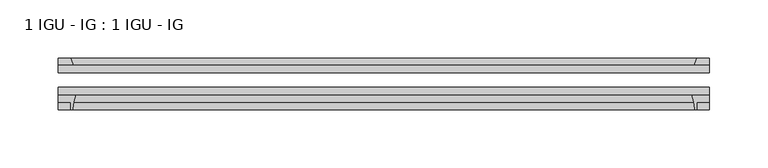
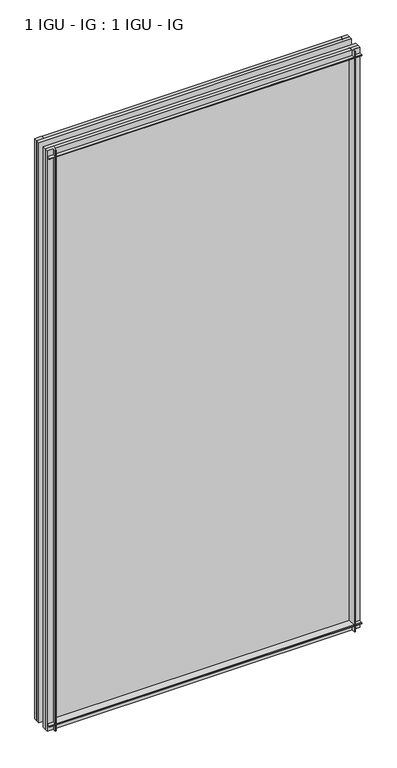
"""IFC4 building model written with IfcOpenShell, lengths in millimetres: plate geometry, 1 IGU - IG : 1 IGU - IG."""

from ifc_helpers import new_model, si_unit, point, frame, frame_2d, origin, place, context, project, spatial, polyline, circle_curve, trimmed, segment, composite_curve, outline, extrude, source, transform, mapped, element, save


def plate_1_igu_ig_1_igu_ig_c8210c39(model_context):
    return source(origin(), model_context, "Body", "SweptSolid", [
        extrude(outline(polyline([(280.9875, -31.75), (280.9875, -38.1), (-280.9875, -38.1), (-280.9875, -31.75), (280.9875, -31.75)])), frame((0.0, 0.0, -11.1125), z_axis=(0.0, 0.0, 1.0), x_axis=(1.0, 0.0, 0.0)), (0.0, 0.0, 1.0), 1101.7245636),
        extrude(outline(polyline([(-280.9875, -12.7), (280.9875, -12.7), (280.9875, -19.05), (-280.9875, -19.05), (-280.9875, -12.7)])), frame((0.0, 0.0, -11.1125), z_axis=(0.0, 0.0, 1.0), x_axis=(1.0, 0.0, 0.0)), (0.0, 0.0, 1.0), 1101.7245636),
        extrude(outline(composite_curve([segment(polyline([(-280.9875, -38.1), (-265.6938207, -38.1)]), True, "CONTINUOUS"), segment(trimmed(circle_curve(frame_2d((-222.4348044, -53.3794536)), 45.8781451), [point((-265.6938207, -38.1))], [point((-268.1950572, -50.0925922))], True, "CARTESIAN"), True, "CONTINUOUS"), segment(trimmed(circle_curve(frame_2d((-268.9550991, -50.038)), 0.762), [point((-268.1950572, -50.0925922))], [point((-268.9550991, -50.8))], False, "CARTESIAN"), True, "CONTINUOUS"), segment(polyline([(-268.9550991, -50.8), (-269.875, -50.8), (-269.875, -44.45), (-280.9875, -44.45), (-280.9875, -38.1)]), True, "CONTINUOUS")], self_intersect=False)), frame((0.0, 0.0, -11.1125), z_axis=(0.0, 0.0, 1.0), x_axis=(1.0, 0.0, 0.0)), (0.0, 0.0, 1.0), 1101.7245636),
        extrude(outline(polyline([(-267.7697229, -12.7), (-280.9875, -12.7), (-280.9875, -6.35), (-269.875, -6.35), (-267.7697229, -12.7)])), frame((0.0, 0.0, -11.1125), z_axis=(0.0, 0.0, 1.0), x_axis=(1.0, 0.0, 0.0)), (0.0, 0.0, 1.0), 1101.7245636),
        extrude(outline(polyline([(280.9875, -12.7), (267.7697229, -12.7), (269.875, -6.35), (280.9875, -6.35), (280.9875, -12.7)])), frame((0.0, 0.0, -11.1125), z_axis=(0.0, 0.0, 1.0), x_axis=(1.0, 0.0, 0.0)), (0.0, 0.0, 1.0), 1101.7245636),
        extrude(outline(composite_curve([segment(polyline([(265.6938207, -38.1), (280.9875, -38.1), (280.9875, -44.45), (269.875, -44.45), (269.875, -50.8), (268.9550991, -50.8)]), True, "CONTINUOUS"), segment(trimmed(circle_curve(frame_2d((268.9550991, -50.038)), 0.762), [point((268.9550991, -50.8))], [point((268.1950572, -50.0925922))], False, "CARTESIAN"), True, "CONTINUOUS"), segment(trimmed(circle_curve(frame_2d((222.4348044, -53.3794536)), 45.8781451), [point((268.1950572, -50.0925922))], [point((265.6938207, -38.1))], True, "CARTESIAN"), True, "CONTINUOUS")], self_intersect=False)), frame((0.0, 0.0, -11.1125), z_axis=(0.0, 0.0, 1.0), x_axis=(1.0, 0.0, 0.0)), (0.0, 0.0, 1.0), 1101.7245636),
        extrude(outline(polyline([(-12.7, -11.1125), (-12.7, 2.1052771), (-6.35, 0.0), (-6.35, -11.1125), (-12.7, -11.1125)])), frame((-280.9875, 0.0, 0.0), z_axis=(1.0, 0.0, 0.0), x_axis=(0.0, 1.0, 0.0)), (0.0, 0.0, 1.0), 561.975),
        extrude(outline(composite_curve([segment(polyline([(-38.1, 4.1811793), (-38.1, -11.1125), (-44.45, -11.1125), (-44.45, 0.0), (-50.8, 0.0), (-50.8, 0.9199009)]), True, "CONTINUOUS"), segment(trimmed(circle_curve(frame_2d((-50.038, 0.9199009)), 0.762), [point((-50.8, 0.9199009))], [point((-50.0925922, 1.6799428))], False, "CARTESIAN"), True, "CONTINUOUS"), segment(trimmed(circle_curve(frame_2d((-53.3794536, 47.4401956)), 45.8781451), [point((-50.0925922, 1.6799428))], [point((-38.1, 4.1811793))], True, "CARTESIAN"), True, "CONTINUOUS")], self_intersect=False)), frame((-280.9875, 0.0, 0.0), z_axis=(1.0, 0.0, 0.0), x_axis=(0.0, 1.0, 0.0)), (0.0, 0.0, 1.0), 561.975),
        extrude(outline(polyline([(-6.35, 1079.4995636), (-12.7, 1077.3942865), (-12.7, 1090.6120636), (-6.35, 1090.6120636), (-6.35, 1079.4995636)])), frame((-280.9875, 0.0, 0.0), z_axis=(1.0, 0.0, 0.0), x_axis=(0.0, 1.0, 0.0)), (0.0, 0.0, 1.0), 561.975),
        extrude(outline(composite_curve([segment(polyline([(-38.1, 1090.6120636), (-38.1, 1075.3183843)]), True, "CONTINUOUS"), segment(trimmed(circle_curve(frame_2d((-53.3794536, 1032.059368)), 45.8781451), [point((-38.1, 1075.3183843))], [point((-50.0925922, 1077.8196208))], True, "CARTESIAN"), True, "CONTINUOUS"), segment(trimmed(circle_curve(frame_2d((-50.038, 1078.5796627)), 0.762), [point((-50.0925922, 1077.8196208))], [point((-50.8, 1078.5796627))], False, "CARTESIAN"), True, "CONTINUOUS"), segment(polyline([(-50.8, 1078.5796627), (-50.8, 1079.4995636), (-44.45, 1079.4995636), (-44.45, 1090.6120636), (-38.1, 1090.6120636)]), True, "CONTINUOUS")], self_intersect=False)), frame((-280.9875, 0.0, 0.0), z_axis=(1.0, 0.0, 0.0), x_axis=(0.0, 1.0, 0.0)), (0.0, 0.0, 1.0), 561.975),
    ])


if __name__ == "__main__":
    model = new_model("IFC4")
    model_context = context("Model", 3, world=origin())
    ifc_project = project(units=[si_unit("LENGTHUNIT", "METRE", prefix="MILLI")], contexts=[model_context])
    site = spatial("IfcSite", under=ifc_project)
    building = spatial("IfcBuilding", under=site)
    placement = place(None, origin())
    plate_1_igu_ig_1_igu_ig_shape = plate_1_igu_ig_1_igu_ig_c8210c39(model_context)
    element("IfcPlate", 1, ObjectType="1 IGU - IG : 1 IGU - IG", at=placement, inside=building, context=model_context, shape_type="MappedRepresentation", body=[
        mapped(plate_1_igu_ig_1_igu_ig_shape, transform((0.0, 0.0, 0.0), x_axis=(1.0, 0.0, 0.0), y_axis=(0.0, 1.0, 0.0), z_axis=(0.0, 0.0, 1.0))),
    ])
    save(model, "model.ifc")
